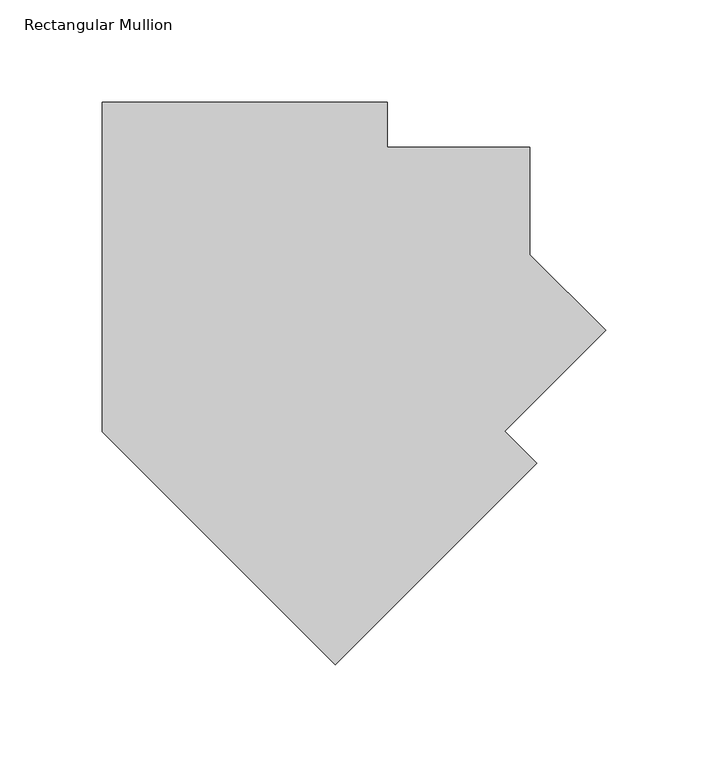
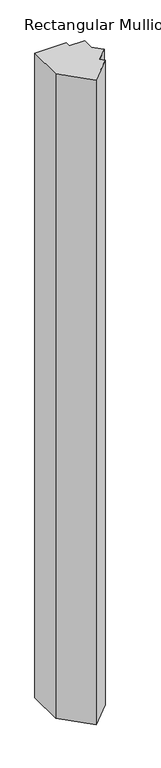
"""IFC4 building model written with IfcOpenShell, lengths in millimetres: member geometry, Rectangular Mullion."""

import ifcopenshell
import ifcopenshell.guid

model = None  # the IFC model being written
_history = None  # IfcOwnerHistory: only IFC2X3 demands one
_inside = {}  # id of a spatial element -> (the spatial element, [elements in it])
_under = {}  # id of a project, library or spatial element -> (it, [spatial elements below it])
_declared = {}  # id of a project -> (the project, [libraries it declares])
_typed = {}  # id of a type object -> (the type object, [elements of that type])
_made_of = {}  # id of a material, layer set ... -> (it, [elements and type objects made of it])


def new_model(schema):
    """Start an empty IFC model of exactly this schema.

    Asked for "IFC4X3", IfcOpenShell would pick the latest addendum, in which some entities
    have other attributes; the version numbers below select the first issue.
    IFC2X3 requires an IfcOwnerHistory on every rooted entity: one is made here for all.
    """
    global model, _history
    if schema == "IFC4X3":
        model = ifcopenshell.file(schema_version=(4, 3, 0, 0))
    else:
        model = ifcopenshell.file(schema=schema)
    _inside.clear()
    _under.clear()
    _declared.clear()
    _typed.clear()
    _made_of.clear()
    _history = None
    if model.schema == "IFC2X3":
        org = make("IfcOrganization", Name="unknown")
        user = make(
            "IfcPersonAndOrganization",
            ThePerson=make("IfcPerson", FamilyName="unknown"),
            TheOrganization=org,
        )
        app = make(
            "IfcApplication",
            ApplicationDeveloper=org,
            Version="unknown",
            ApplicationFullName="unknown",
            ApplicationIdentifier="unknown",
        )
        _history = make(
            "IfcOwnerHistory",
            OwningUser=user,
            OwningApplication=app,
            ChangeAction="ADDED",
            CreationDate=0,
        )
    return model


def make(cls, **values):
    """One entity of the class cls with the attributes given. An attribute that is None is left unset."""
    return model.create_entity(
        cls, **{name: value for name, value in values.items() if value is not None}
    )


def rooted(cls, **values):
    """An entity with a GlobalId (a new one), such as an element, a storey or a relation."""
    return make(cls, GlobalId=ifcopenshell.guid.new(), OwnerHistory=_history, **values)


def si_unit(unit_type, name, prefix=None):
    """IfcSIUnit, for example si_unit("LENGTHUNIT", "METRE", prefix="MILLI")."""
    return make("IfcSIUnit", UnitType=unit_type, Prefix=prefix, Name=name)


def assignment(units):
    """IfcUnitAssignment: the units of a project."""
    return None if units is None else make("IfcUnitAssignment", Units=units)


def point(xyz):
    """IfcCartesianPoint."""
    return None if xyz is None else make("IfcCartesianPoint", Coordinates=xyz)


def direction(xyz):
    """IfcDirection."""
    return None if xyz is None else make("IfcDirection", DirectionRatios=xyz)


def frame(location, z_axis=None, x_axis=None):
    """IfcAxis2Placement3D, a coordinate frame: its origin and axes. An axis left out is left unset."""
    return make(
        "IfcAxis2Placement3D",
        Location=point(location),
        Axis=direction(z_axis),
        RefDirection=direction(x_axis),
    )


def origin():
    """The frame at (0, 0, 0) with its axes left unset."""
    return frame((0.0, 0.0, 0.0))


def place(relative_to, where):
    """IfcLocalPlacement: puts the frame where relative to a parent placement (None: the world)."""
    return make(
        "IfcLocalPlacement", PlacementRelTo=relative_to, RelativePlacement=where
    )


def context(
    kind, dimensions, precision=None, world=None, true_north=None, identifier=None
):
    """IfcGeometricRepresentationContext, for example the 3D "Model" context."""
    return make(
        "IfcGeometricRepresentationContext",
        ContextIdentifier=identifier,
        ContextType=kind,
        CoordinateSpaceDimension=dimensions,
        Precision=precision,
        WorldCoordinateSystem=world,
        TrueNorth=true_north,
    )


def project(units=None, contexts=None):
    """IfcProject with its units and contexts."""
    return rooted(
        "IfcProject",
        Name="project",
        RepresentationContexts=contexts,
        UnitsInContext=assignment(units),
    )


def spatial(cls, under=None, at=None, **own):
    """A site, building, storey or space (cls), placed at a placement, below another one or the project."""
    s = rooted(cls, ObjectPlacement=at, **own)
    if under is not None:
        _under.setdefault(under.id(), (under, []))[1].append(s)
    return s


def polyline(points):
    """IfcPolyline through the points."""
    return make("IfcPolyline", Points=[point(p) for p in points])


def outline(outer, holes=None, kind="AREA"):
    """IfcArbitraryClosedProfileDef: a profile drawn as a closed curve; with holes, ...WithVoids."""
    if holes is None:
        return make("IfcArbitraryClosedProfileDef", ProfileType=kind, OuterCurve=outer)
    return make(
        "IfcArbitraryProfileDefWithVoids",
        ProfileType=kind,
        OuterCurve=outer,
        InnerCurves=holes,
    )


def extrude(swept, where, along, depth):
    """IfcExtrudedAreaSolid: the profile swept, set in the frame where, extruded along a direction by depth."""
    return make(
        "IfcExtrudedAreaSolid",
        SweptArea=swept,
        Position=where,
        ExtrudedDirection=direction(along),
        Depth=depth,
    )


def shape(context_of_items, identifier, shape_type, items):
    """IfcShapeRepresentation: the items that make up one representation, for example the "Body"."""
    return make(
        "IfcShapeRepresentation",
        ContextOfItems=context_of_items,
        RepresentationIdentifier=identifier,
        RepresentationType=shape_type,
        Items=items,
    )


def source(mapping_origin, context_of_items, identifier, shape_type, items):
    """IfcRepresentationMap: a shape defined once, which mapped items show again and again."""
    return make(
        "IfcRepresentationMap",
        MappingOrigin=mapping_origin,
        MappedRepresentation=shape(context_of_items, identifier, shape_type, items),
    )


def transform(
    local_origin,
    x_axis=None,
    y_axis=None,
    z_axis=None,
    scale=None,
    scale2=None,
    scale3=None,
    uniform=True,
):
    """IfcCartesianTransformationOperator3D, or its non-uniform kind. x_axis, y_axis, z_axis: its Axis1, 2, 3."""
    if uniform:
        return make(
            "IfcCartesianTransformationOperator3D",
            Axis1=direction(x_axis),
            Axis2=direction(y_axis),
            LocalOrigin=point(local_origin),
            Scale=scale,
            Axis3=direction(z_axis),
        )
    return make(
        "IfcCartesianTransformationOperator3DnonUniform",
        Axis1=direction(x_axis),
        Axis2=direction(y_axis),
        LocalOrigin=point(local_origin),
        Scale=scale,
        Axis3=direction(z_axis),
        Scale2=scale2,
        Scale3=scale3,
    )


def mapped(mapping_source, mapping_target):
    """IfcMappedItem: shows the shape of a source again, moved by a transform."""
    return make(
        "IfcMappedItem", MappingSource=mapping_source, MappingTarget=mapping_target
    )


def made_of(thing, what):
    """Note that an element or type object is made of a material, layer set ...; save() writes the relation."""
    if what is not None:
        _made_of.setdefault(what.id(), (what, []))[1].append(thing)
    return thing


def element(
    cls,
    number,
    at=None,
    inside=None,
    cuts=None,
    type_object=None,
    material=None,
    context=None,
    identifier="Body",
    shape_type=None,
    held_by="IfcProductDefinitionShape",
    body=None,
    shapes=None,
    **own,
):
    """One element of the class cls, such as IfcWall. Its Tag is "e" and its number.

    at: its placement. inside: the storey or other place that contains it. cuts: it is an
    opening in that element (IfcRelVoidsElement). A single representation is given by context,
    identifier, shape_type and body (its items); several are given by shapes. held_by: the class
    of the entity that holds the representations. save() writes the other relations.
    """
    e = rooted(cls, Tag="e%d" % number, ObjectPlacement=at, **own)
    if body is not None:
        shapes = [shape(context, identifier, shape_type, body)]
    if shapes is not None:
        e.Representation = make(held_by, Representations=shapes)
    if inside is not None:
        _inside.setdefault(inside.id(), (inside, []))[1].append(e)
    if cuts is not None:
        rooted(
            "IfcRelVoidsElement", RelatingBuildingElement=cuts, RelatedOpeningElement=e
        )
    if type_object is not None:
        _typed.setdefault(type_object.id(), (type_object, []))[1].append(e)
    return made_of(e, material)


def aggregate(whole, parts):
    """IfcRelAggregates: a whole, such as a stair, and the parts it consists of."""
    return rooted("IfcRelAggregates", RelatingObject=whole, RelatedObjects=parts)


def save(model, path):
    """Write the relations noted so far, then the file.

    IfcRelAggregates (storeys below a building ...), IfcRelContainedInSpatialStructure (elements
    in a storey), IfcRelDefinesByType, IfcRelAssociatesMaterial and IfcRelDeclares: one each for
    every whole, place, type object, material and project.
    """
    for whole, parts in _under.values():
        aggregate(whole, parts)
    for where, things in _inside.values():
        rooted(
            "IfcRelContainedInSpatialStructure",
            RelatedElements=things,
            RelatingStructure=where,
        )
    for kind, things in _typed.values():
        rooted("IfcRelDefinesByType", RelatedObjects=things, RelatingType=kind)
    for what, things in _made_of.values():
        rooted("IfcRelAssociatesMaterial", RelatedObjects=things, RelatingMaterial=what)
    for by, libraries in _declared.values():
        rooted("IfcRelDeclares", RelatingContext=by, RelatedDefinitions=libraries)
    model.write(path)


def rectangular_mullion_de7c281f(model_context):
    return source(origin(), model_context, "Body", "SweptSolid", [
        extrude(outline(polyline([(-33.6459524, -53.4249002), (-132.4287697, -152.2077175), (-246.5965896, -38.0398976), (-246.5965896, 123.4177816), (-106.933518, 123.4177816), (-106.933518, 101.1928948), (-37.0466002, 101.1928948), (-37.0466002, 84.0056551), (-37.0466002, 48.6983891), (0.0, 11.6517889), (-49.3613206, -37.709532), (-33.6459524, -53.4249002)])), frame((0.0, 0.0, -3048.0), z_axis=(0.0, 0.0, 1.0), x_axis=(1.0, 0.0, 0.0)), (0.0, 0.0, 1.0), 3048.0),
    ])


if __name__ == "__main__":
    model = new_model("IFC4")
    model_context = context("Model", 3, world=origin())
    ifc_project = project(units=[si_unit("LENGTHUNIT", "METRE", prefix="MILLI")], contexts=[model_context])
    site = spatial("IfcSite", under=ifc_project)
    building = spatial("IfcBuilding", under=site)
    placement = place(None, origin())
    rectangular_mullion_shape = rectangular_mullion_de7c281f(model_context)
    element("IfcMember", 1, ObjectType="Rectangular Mullion", at=placement, inside=building, context=model_context, shape_type="MappedRepresentation", body=[
        mapped(rectangular_mullion_shape, transform((0.0, 0.0, 0.0), x_axis=(1.0, 0.0, 0.0), y_axis=(0.0, 1.0, 0.0), z_axis=(0.0, 0.0, 1.0))),
    ])
    save(model, "model.ifc")
